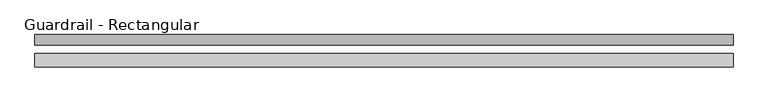
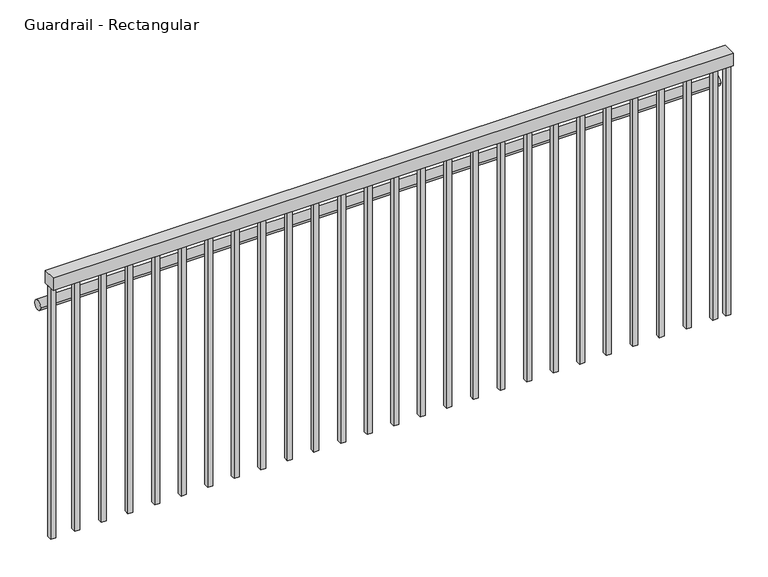
"""IFC4 building model written with IfcOpenShell, lengths in millimetres: railing geometry, Guardrail - Rectangular."""

from ifc_helpers import new_model, si_unit, point, frame, frame_2d, origin, origin_with_axes, place, context, project, spatial, polyline, circle_curve, trimmed, segment, composite_curve, outline, extrude, source, transform, mapped, element, save


def guardrail_rectangular_20fbe432(model_context):
    return source(origin(), model_context, "Body", "SweptSolid", [
        extrude(outline(polyline([(-8856.7624021, 1796.6695884), (-8856.7624021, 1847.4695884), (-6257.1465348, 1847.4695884), (-6257.1465348, 1796.6695884), (-8856.7624021, 1796.6695884)])), frame((0.0, 0.0, 1016.0), z_axis=(0.0, 0.0, 1.0), x_axis=(1.0, 0.0, 0.0)), (0.0, 0.0, 1.0), 50.8),
        extrude(outline(composite_curve([segment(trimmed(circle_curve(frame_2d((1898.2695884, 895.35)), 19.05), [point((1917.3195884, 895.35))], [point((1879.2195884, 895.35))], False, "CARTESIAN"), True, "CONTINUOUS"), segment(trimmed(circle_curve(frame_2d((1898.2695884, 895.35)), 19.05), [point((1879.2195884, 895.35))], [point((1917.3195884, 895.35))], False, "CARTESIAN"), True, "CONTINUOUS")], self_intersect=False)), frame((-8856.7624021, 0.0, 0.0), z_axis=(1.0, 0.0, 0.0), x_axis=(0.0, 1.0, 0.0)), (0.0, 0.0, 1.0), 2599.6158674),
        extrude(outline(polyline([(-6326.2874021, 1812.5445884), (-6326.2874021, 1831.5945884), (-6307.2374021, 1831.5945884), (-6307.2374021, 1812.5445884), (-6326.2874021, 1812.5445884)])), origin_with_axes(), (0.0, 0.0, 1.0), 1016.0),
        extrude(outline(polyline([(-6427.8874021, 1812.5445884), (-6427.8874021, 1831.5945884), (-6408.8374021, 1831.5945884), (-6408.8374021, 1812.5445884), (-6427.8874021, 1812.5445884)])), origin_with_axes(), (0.0, 0.0, 1.0), 1016.0),
        extrude(outline(polyline([(-6529.4874021, 1812.5445884), (-6529.4874021, 1831.5945884), (-6510.4374021, 1831.5945884), (-6510.4374021, 1812.5445884), (-6529.4874021, 1812.5445884)])), origin_with_axes(), (0.0, 0.0, 1.0), 1016.0),
        extrude(outline(polyline([(-6631.0874021, 1812.5445884), (-6631.0874021, 1831.5945884), (-6612.0374021, 1831.5945884), (-6612.0374021, 1812.5445884), (-6631.0874021, 1812.5445884)])), origin_with_axes(), (0.0, 0.0, 1.0), 1016.0),
        extrude(outline(polyline([(-6732.6874021, 1812.5445884), (-6732.6874021, 1831.5945884), (-6713.6374021, 1831.5945884), (-6713.6374021, 1812.5445884), (-6732.6874021, 1812.5445884)])), origin_with_axes(), (0.0, 0.0, 1.0), 1016.0),
        extrude(outline(polyline([(-6834.2874021, 1812.5445884), (-6834.2874021, 1831.5945884), (-6815.2374021, 1831.5945884), (-6815.2374021, 1812.5445884), (-6834.2874021, 1812.5445884)])), origin_with_axes(), (0.0, 0.0, 1.0), 1016.0),
        extrude(outline(polyline([(-6935.8874021, 1812.5445884), (-6935.8874021, 1831.5945884), (-6916.8374021, 1831.5945884), (-6916.8374021, 1812.5445884), (-6935.8874021, 1812.5445884)])), origin_with_axes(), (0.0, 0.0, 1.0), 1016.0),
        extrude(outline(polyline([(-7037.4874021, 1812.5445884), (-7037.4874021, 1831.5945884), (-7018.4374021, 1831.5945884), (-7018.4374021, 1812.5445884), (-7037.4874021, 1812.5445884)])), origin_with_axes(), (0.0, 0.0, 1.0), 1016.0),
        extrude(outline(polyline([(-7139.0874021, 1812.5445884), (-7139.0874021, 1831.5945884), (-7120.0374021, 1831.5945884), (-7120.0374021, 1812.5445884), (-7139.0874021, 1812.5445884)])), origin_with_axes(), (0.0, 0.0, 1.0), 1016.0),
        extrude(outline(polyline([(-7240.6874021, 1812.5445884), (-7240.6874021, 1831.5945884), (-7221.6374021, 1831.5945884), (-7221.6374021, 1812.5445884), (-7240.6874021, 1812.5445884)])), origin_with_axes(), (0.0, 0.0, 1.0), 1016.0),
        extrude(outline(polyline([(-7342.2874021, 1812.5445884), (-7342.2874021, 1831.5945884), (-7323.2374021, 1831.5945884), (-7323.2374021, 1812.5445884), (-7342.2874021, 1812.5445884)])), origin_with_axes(), (0.0, 0.0, 1.0), 1016.0),
        extrude(outline(polyline([(-7443.8874021, 1812.5445884), (-7443.8874021, 1831.5945884), (-7424.8374021, 1831.5945884), (-7424.8374021, 1812.5445884), (-7443.8874021, 1812.5445884)])), origin_with_axes(), (0.0, 0.0, 1.0), 1016.0),
        extrude(outline(polyline([(-7545.4874021, 1812.5445884), (-7545.4874021, 1831.5945884), (-7526.4374021, 1831.5945884), (-7526.4374021, 1812.5445884), (-7545.4874021, 1812.5445884)])), origin_with_axes(), (0.0, 0.0, 1.0), 1016.0),
        extrude(outline(polyline([(-7647.0874021, 1812.5445884), (-7647.0874021, 1831.5945884), (-7628.0374021, 1831.5945884), (-7628.0374021, 1812.5445884), (-7647.0874021, 1812.5445884)])), origin_with_axes(), (0.0, 0.0, 1.0), 1016.0),
        extrude(outline(polyline([(-7748.6874021, 1812.5445884), (-7748.6874021, 1831.5945884), (-7729.6374021, 1831.5945884), (-7729.6374021, 1812.5445884), (-7748.6874021, 1812.5445884)])), origin_with_axes(), (0.0, 0.0, 1.0), 1016.0),
        extrude(outline(polyline([(-7850.2874021, 1812.5445884), (-7850.2874021, 1831.5945884), (-7831.2374021, 1831.5945884), (-7831.2374021, 1812.5445884), (-7850.2874021, 1812.5445884)])), origin_with_axes(), (0.0, 0.0, 1.0), 1016.0),
        extrude(outline(polyline([(-7951.8874021, 1812.5445884), (-7951.8874021, 1831.5945884), (-7932.8374021, 1831.5945884), (-7932.8374021, 1812.5445884), (-7951.8874021, 1812.5445884)])), origin_with_axes(), (0.0, 0.0, 1.0), 1016.0),
        extrude(outline(polyline([(-8053.4874021, 1812.5445884), (-8053.4874021, 1831.5945884), (-8034.4374021, 1831.5945884), (-8034.4374021, 1812.5445884), (-8053.4874021, 1812.5445884)])), origin_with_axes(), (0.0, 0.0, 1.0), 1016.0),
        extrude(outline(polyline([(-8155.0874021, 1812.5445884), (-8155.0874021, 1831.5945884), (-8136.0374021, 1831.5945884), (-8136.0374021, 1812.5445884), (-8155.0874021, 1812.5445884)])), origin_with_axes(), (0.0, 0.0, 1.0), 1016.0),
        extrude(outline(polyline([(-8256.6874021, 1812.5445884), (-8256.6874021, 1831.5945884), (-8237.6374021, 1831.5945884), (-8237.6374021, 1812.5445884), (-8256.6874021, 1812.5445884)])), origin_with_axes(), (0.0, 0.0, 1.0), 1016.0),
        extrude(outline(polyline([(-8358.2874021, 1812.5445884), (-8358.2874021, 1831.5945884), (-8339.2374021, 1831.5945884), (-8339.2374021, 1812.5445884), (-8358.2874021, 1812.5445884)])), origin_with_axes(), (0.0, 0.0, 1.0), 1016.0),
        extrude(outline(polyline([(-8459.8874021, 1812.5445884), (-8459.8874021, 1831.5945884), (-8440.8374021, 1831.5945884), (-8440.8374021, 1812.5445884), (-8459.8874021, 1812.5445884)])), origin_with_axes(), (0.0, 0.0, 1.0), 1016.0),
        extrude(outline(polyline([(-8561.4874021, 1812.5445884), (-8561.4874021, 1831.5945884), (-8542.4374021, 1831.5945884), (-8542.4374021, 1812.5445884), (-8561.4874021, 1812.5445884)])), origin_with_axes(), (0.0, 0.0, 1.0), 1016.0),
        extrude(outline(polyline([(-8663.0874021, 1812.5445884), (-8663.0874021, 1831.5945884), (-8644.0374021, 1831.5945884), (-8644.0374021, 1812.5445884), (-8663.0874021, 1812.5445884)])), origin_with_axes(), (0.0, 0.0, 1.0), 1016.0),
        extrude(outline(polyline([(-8764.6874021, 1812.5445884), (-8764.6874021, 1831.5945884), (-8745.6374021, 1831.5945884), (-8745.6374021, 1812.5445884), (-8764.6874021, 1812.5445884)])), origin_with_axes(), (0.0, 0.0, 1.0), 1016.0),
        extrude(outline(polyline([(-6276.1965348, 1812.5445884), (-6276.1965348, 1831.5945884), (-6257.1465348, 1831.5945884), (-6257.1465348, 1812.5445884), (-6276.1965348, 1812.5445884)])), origin_with_axes(), (0.0, 0.0, 1.0), 1016.0),
        extrude(outline(polyline([(-8856.7624021, 1812.5445884), (-8856.7624021, 1831.5945884), (-8837.7124021, 1831.5945884), (-8837.7124021, 1812.5445884), (-8856.7624021, 1812.5445884)])), origin_with_axes(), (0.0, 0.0, 1.0), 1016.0),
    ])


if __name__ == "__main__":
    model = new_model("IFC4")
    model_context = context("Model", 3, world=origin())
    ifc_project = project(units=[si_unit("LENGTHUNIT", "METRE", prefix="MILLI")], contexts=[model_context])
    site = spatial("IfcSite", under=ifc_project)
    building = spatial("IfcBuilding", under=site)
    placement = place(None, origin())
    guardrail_rectangular_shape = guardrail_rectangular_20fbe432(model_context)
    element("IfcRailing", 1, ObjectType="Guardrail - Rectangular", at=placement, inside=building, context=model_context, shape_type="MappedRepresentation", body=[
        mapped(guardrail_rectangular_shape, transform((0.0, 0.0, 0.0), x_axis=(1.0, 0.0, 0.0), y_axis=(0.0, 1.0, 0.0), z_axis=(0.0, 0.0, 1.0))),
    ])
    save(model, "model.ifc")
